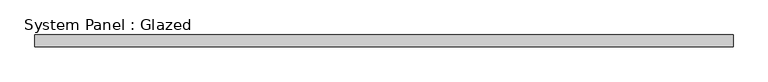
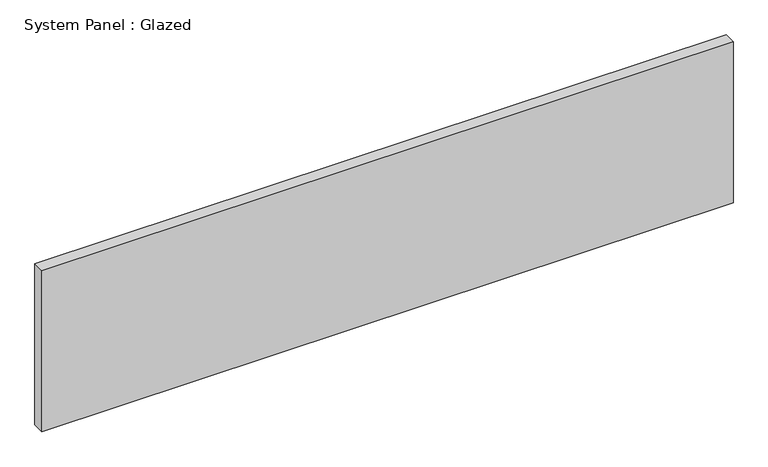
"""IFC4 building model written with IfcOpenShell, lengths in millimetres: plate geometry, System Panel : Glazed."""

from ifc_helpers import new_model, si_unit, origin, origin_with_axes, place, context, project, spatial, polyline, outline, extrude, source, transform, mapped, element, save


def system_panel_glazed_a676c59b(model_context):
    return source(origin(), model_context, "Body", "SweptSolid", [
        extrude(outline(polyline([(733.5358287, -12.7), (-733.5358287, -12.7), (-733.5358287, 12.7), (733.5358287, 12.7), (733.5358287, -12.7)])), origin_with_axes(), (0.0, 0.0, 1.0), 361.45),
    ])


if __name__ == "__main__":
    model = new_model("IFC4")
    model_context = context("Model", 3, world=origin())
    ifc_project = project(units=[si_unit("LENGTHUNIT", "METRE", prefix="MILLI")], contexts=[model_context])
    site = spatial("IfcSite", under=ifc_project)
    building = spatial("IfcBuilding", under=site)
    placement = place(None, origin())
    system_panel_glazed_shape = system_panel_glazed_a676c59b(model_context)
    element("IfcPlate", 1, ObjectType="System Panel : Glazed", at=placement, inside=building, context=model_context, shape_type="MappedRepresentation", body=[
        mapped(system_panel_glazed_shape, transform((0.0, 0.0, 0.0), x_axis=(1.0, 0.0, 0.0), y_axis=(0.0, 1.0, 0.0), z_axis=(0.0, 0.0, 1.0))),
    ])
    save(model, "model.ifc")
